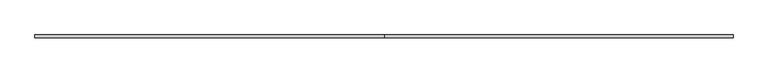
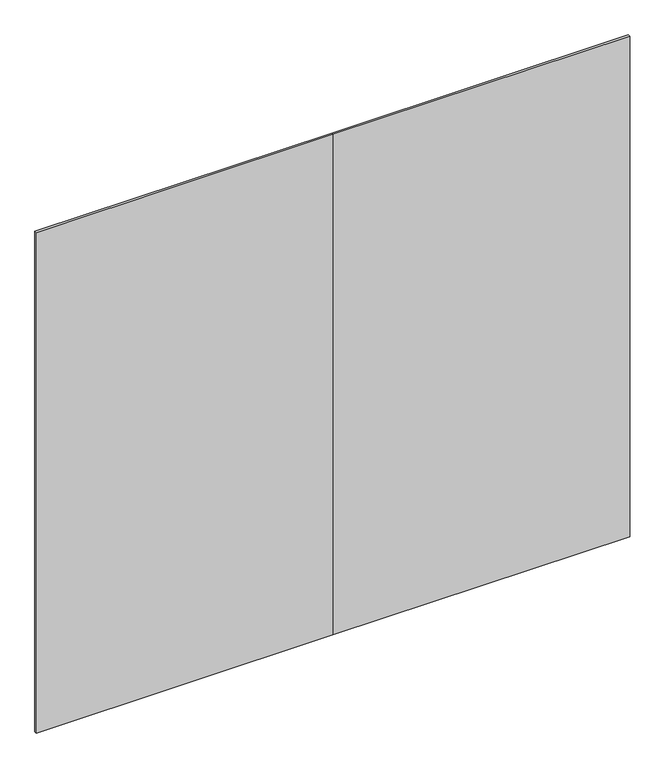
"""IFC4 building model written with IfcOpenShell, lengths in millimetres: furniture geometry."""

from ifc_helpers import new_model, si_unit, frame, origin, place, context, project, spatial, polyline, outline, extrude, source, transform, mapped, element, save


def furniture_bb8ac424(model_context):
    return source(origin(), model_context, "Body", "SweptSolid", [
        extrude(outline(polyline([(0.0, -4.7752), (0.0, 4.7498), (1219.2, 4.7498), (1219.2, -4.7752), (0.0, -4.7752)])), frame((0.0, 0.0, 12.7), z_axis=(0.0, 0.0, 1.0), x_axis=(1.0, 0.0, 0.0)), (0.0, 0.0, 1.0), 2173.6010468),
        extrude(outline(polyline([(1219.2, -4.7752), (1219.2, 4.7498), (2438.4, 4.7498), (2438.4, -4.7752), (1219.2, -4.7752)])), frame((0.0, 0.0, 12.7), z_axis=(0.0, 0.0, 1.0), x_axis=(1.0, 0.0, 0.0)), (0.0, 0.0, 1.0), 2173.6010468),
    ])


if __name__ == "__main__":
    model = new_model("IFC4")
    model_context = context("Model", 3, world=origin())
    ifc_project = project(units=[si_unit("LENGTHUNIT", "METRE", prefix="MILLI")], contexts=[model_context])
    site = spatial("IfcSite", under=ifc_project)
    building = spatial("IfcBuilding", under=site)
    placement = place(None, origin())
    furniture_shape = furniture_bb8ac424(model_context)
    element("IfcFurniture", 1, at=placement, inside=building, context=model_context, shape_type="MappedRepresentation", body=[
        mapped(furniture_shape, transform((0.0, 0.0, 0.0), x_axis=(1.0, 0.0, 0.0), y_axis=(0.0, 1.0, 0.0), z_axis=(0.0, 0.0, 1.0))),
    ])
    save(model, "model.ifc")
